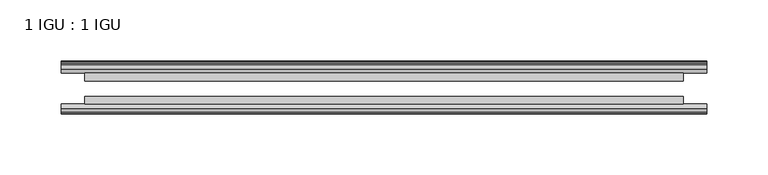
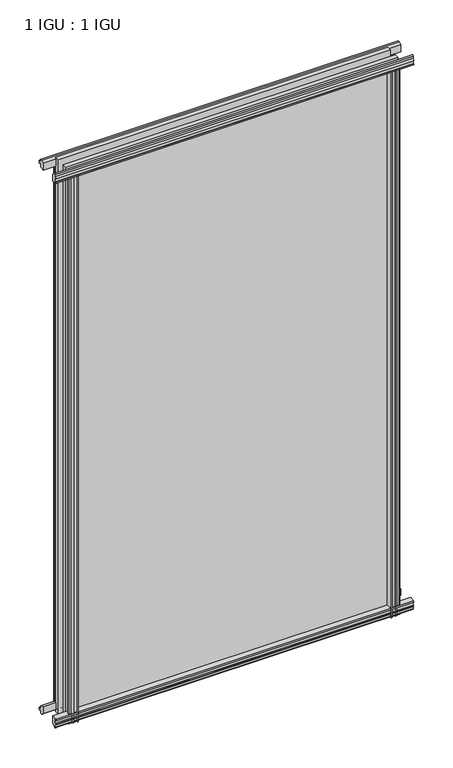
"""IFC4 building model written with IfcOpenShell, lengths in millimetres: plate geometry, 1 IGU : 1 IGU."""

import ifcopenshell
import ifcopenshell.guid

model = None  # the IFC model being written
_history = None  # IfcOwnerHistory: only IFC2X3 demands one
_inside = {}  # id of a spatial element -> (the spatial element, [elements in it])
_under = {}  # id of a project, library or spatial element -> (it, [spatial elements below it])
_declared = {}  # id of a project -> (the project, [libraries it declares])
_typed = {}  # id of a type object -> (the type object, [elements of that type])
_made_of = {}  # id of a material, layer set ... -> (it, [elements and type objects made of it])


def new_model(schema):
    """Start an empty IFC model of exactly this schema.

    Asked for "IFC4X3", IfcOpenShell would pick the latest addendum, in which some entities
    have other attributes; the version numbers below select the first issue.
    IFC2X3 requires an IfcOwnerHistory on every rooted entity: one is made here for all.
    """
    global model, _history
    if schema == "IFC4X3":
        model = ifcopenshell.file(schema_version=(4, 3, 0, 0))
    else:
        model = ifcopenshell.file(schema=schema)
    _inside.clear()
    _under.clear()
    _declared.clear()
    _typed.clear()
    _made_of.clear()
    _history = None
    if model.schema == "IFC2X3":
        org = make("IfcOrganization", Name="unknown")
        user = make(
            "IfcPersonAndOrganization",
            ThePerson=make("IfcPerson", FamilyName="unknown"),
            TheOrganization=org,
        )
        app = make(
            "IfcApplication",
            ApplicationDeveloper=org,
            Version="unknown",
            ApplicationFullName="unknown",
            ApplicationIdentifier="unknown",
        )
        _history = make(
            "IfcOwnerHistory",
            OwningUser=user,
            OwningApplication=app,
            ChangeAction="ADDED",
            CreationDate=0,
        )
    return model


def make(cls, **values):
    """One entity of the class cls with the attributes given. An attribute that is None is left unset."""
    return model.create_entity(
        cls, **{name: value for name, value in values.items() if value is not None}
    )


def rooted(cls, **values):
    """An entity with a GlobalId (a new one), such as an element, a storey or a relation."""
    return make(cls, GlobalId=ifcopenshell.guid.new(), OwnerHistory=_history, **values)


def si_unit(unit_type, name, prefix=None):
    """IfcSIUnit, for example si_unit("LENGTHUNIT", "METRE", prefix="MILLI")."""
    return make("IfcSIUnit", UnitType=unit_type, Prefix=prefix, Name=name)


def assignment(units):
    """IfcUnitAssignment: the units of a project."""
    return None if units is None else make("IfcUnitAssignment", Units=units)


def point(xyz):
    """IfcCartesianPoint."""
    return None if xyz is None else make("IfcCartesianPoint", Coordinates=xyz)


def direction(xyz):
    """IfcDirection."""
    return None if xyz is None else make("IfcDirection", DirectionRatios=xyz)


def frame(location, z_axis=None, x_axis=None):
    """IfcAxis2Placement3D, a coordinate frame: its origin and axes. An axis left out is left unset."""
    return make(
        "IfcAxis2Placement3D",
        Location=point(location),
        Axis=direction(z_axis),
        RefDirection=direction(x_axis),
    )


def frame_2d(location, x_axis=None):
    """IfcAxis2Placement2D, a coordinate frame in the plane: its origin and x axis."""
    return make(
        "IfcAxis2Placement2D", Location=point(location), RefDirection=direction(x_axis)
    )


def origin():
    """The frame at (0, 0, 0) with its axes left unset."""
    return frame((0.0, 0.0, 0.0))


def place(relative_to, where):
    """IfcLocalPlacement: puts the frame where relative to a parent placement (None: the world)."""
    return make(
        "IfcLocalPlacement", PlacementRelTo=relative_to, RelativePlacement=where
    )


def context(
    kind, dimensions, precision=None, world=None, true_north=None, identifier=None
):
    """IfcGeometricRepresentationContext, for example the 3D "Model" context."""
    return make(
        "IfcGeometricRepresentationContext",
        ContextIdentifier=identifier,
        ContextType=kind,
        CoordinateSpaceDimension=dimensions,
        Precision=precision,
        WorldCoordinateSystem=world,
        TrueNorth=true_north,
    )


def project(units=None, contexts=None):
    """IfcProject with its units and contexts."""
    return rooted(
        "IfcProject",
        Name="project",
        RepresentationContexts=contexts,
        UnitsInContext=assignment(units),
    )


def spatial(cls, under=None, at=None, **own):
    """A site, building, storey or space (cls), placed at a placement, below another one or the project."""
    s = rooted(cls, ObjectPlacement=at, **own)
    if under is not None:
        _under.setdefault(under.id(), (under, []))[1].append(s)
    return s


def polyline(points):
    """IfcPolyline through the points."""
    return make("IfcPolyline", Points=[point(p) for p in points])


def circle_curve(where, radius):
    """IfcCircle in the frame where."""
    return make("IfcCircle", Position=where, Radius=radius)


def trimmed(basis, trim1, trim2, sense, master):
    """IfcTrimmedCurve: the piece of a basis curve between two trims."""
    return make(
        "IfcTrimmedCurve",
        BasisCurve=basis,
        Trim1=trim1,
        Trim2=trim2,
        SenseAgreement=sense,
        MasterRepresentation=master,
    )


def segment(curve, same_sense, transition):
    """IfcCompositeCurveSegment."""
    return make(
        "IfcCompositeCurveSegment",
        Transition=transition,
        SameSense=same_sense,
        ParentCurve=curve,
    )


def composite_curve(segments, self_intersect=None):
    """IfcCompositeCurve: segments joined end to end."""
    return make("IfcCompositeCurve", Segments=segments, SelfIntersect=self_intersect)


def outline(outer, holes=None, kind="AREA"):
    """IfcArbitraryClosedProfileDef: a profile drawn as a closed curve; with holes, ...WithVoids."""
    if holes is None:
        return make("IfcArbitraryClosedProfileDef", ProfileType=kind, OuterCurve=outer)
    return make(
        "IfcArbitraryProfileDefWithVoids",
        ProfileType=kind,
        OuterCurve=outer,
        InnerCurves=holes,
    )


def extrude(swept, where, along, depth):
    """IfcExtrudedAreaSolid: the profile swept, set in the frame where, extruded along a direction by depth."""
    return make(
        "IfcExtrudedAreaSolid",
        SweptArea=swept,
        Position=where,
        ExtrudedDirection=direction(along),
        Depth=depth,
    )


def shape(context_of_items, identifier, shape_type, items):
    """IfcShapeRepresentation: the items that make up one representation, for example the "Body"."""
    return make(
        "IfcShapeRepresentation",
        ContextOfItems=context_of_items,
        RepresentationIdentifier=identifier,
        RepresentationType=shape_type,
        Items=items,
    )


def source(mapping_origin, context_of_items, identifier, shape_type, items):
    """IfcRepresentationMap: a shape defined once, which mapped items show again and again."""
    return make(
        "IfcRepresentationMap",
        MappingOrigin=mapping_origin,
        MappedRepresentation=shape(context_of_items, identifier, shape_type, items),
    )


def transform(
    local_origin,
    x_axis=None,
    y_axis=None,
    z_axis=None,
    scale=None,
    scale2=None,
    scale3=None,
    uniform=True,
):
    """IfcCartesianTransformationOperator3D, or its non-uniform kind. x_axis, y_axis, z_axis: its Axis1, 2, 3."""
    if uniform:
        return make(
            "IfcCartesianTransformationOperator3D",
            Axis1=direction(x_axis),
            Axis2=direction(y_axis),
            LocalOrigin=point(local_origin),
            Scale=scale,
            Axis3=direction(z_axis),
        )
    return make(
        "IfcCartesianTransformationOperator3DnonUniform",
        Axis1=direction(x_axis),
        Axis2=direction(y_axis),
        LocalOrigin=point(local_origin),
        Scale=scale,
        Axis3=direction(z_axis),
        Scale2=scale2,
        Scale3=scale3,
    )


def mapped(mapping_source, mapping_target):
    """IfcMappedItem: shows the shape of a source again, moved by a transform."""
    return make(
        "IfcMappedItem", MappingSource=mapping_source, MappingTarget=mapping_target
    )


def made_of(thing, what):
    """Note that an element or type object is made of a material, layer set ...; save() writes the relation."""
    if what is not None:
        _made_of.setdefault(what.id(), (what, []))[1].append(thing)
    return thing


def element(
    cls,
    number,
    at=None,
    inside=None,
    cuts=None,
    type_object=None,
    material=None,
    context=None,
    identifier="Body",
    shape_type=None,
    held_by="IfcProductDefinitionShape",
    body=None,
    shapes=None,
    **own,
):
    """One element of the class cls, such as IfcWall. Its Tag is "e" and its number.

    at: its placement. inside: the storey or other place that contains it. cuts: it is an
    opening in that element (IfcRelVoidsElement). A single representation is given by context,
    identifier, shape_type and body (its items); several are given by shapes. held_by: the class
    of the entity that holds the representations. save() writes the other relations.
    """
    e = rooted(cls, Tag="e%d" % number, ObjectPlacement=at, **own)
    if body is not None:
        shapes = [shape(context, identifier, shape_type, body)]
    if shapes is not None:
        e.Representation = make(held_by, Representations=shapes)
    if inside is not None:
        _inside.setdefault(inside.id(), (inside, []))[1].append(e)
    if cuts is not None:
        rooted(
            "IfcRelVoidsElement", RelatingBuildingElement=cuts, RelatedOpeningElement=e
        )
    if type_object is not None:
        _typed.setdefault(type_object.id(), (type_object, []))[1].append(e)
    return made_of(e, material)


def aggregate(whole, parts):
    """IfcRelAggregates: a whole, such as a stair, and the parts it consists of."""
    return rooted("IfcRelAggregates", RelatingObject=whole, RelatedObjects=parts)


def save(model, path):
    """Write the relations noted so far, then the file.

    IfcRelAggregates (storeys below a building ...), IfcRelContainedInSpatialStructure (elements
    in a storey), IfcRelDefinesByType, IfcRelAssociatesMaterial and IfcRelDeclares: one each for
    every whole, place, type object, material and project.
    """
    for whole, parts in _under.values():
        aggregate(whole, parts)
    for where, things in _inside.values():
        rooted(
            "IfcRelContainedInSpatialStructure",
            RelatedElements=things,
            RelatingStructure=where,
        )
    for kind, things in _typed.values():
        rooted("IfcRelDefinesByType", RelatedObjects=things, RelatingType=kind)
    for what, things in _made_of.values():
        rooted("IfcRelAssociatesMaterial", RelatedObjects=things, RelatingMaterial=what)
    for by, libraries in _declared.values():
        rooted("IfcRelDeclares", RelatingContext=by, RelatedDefinitions=libraries)
    model.write(path)


def plate_1_igu_1_igu_93dbaace(model_context):
    return source(origin(), model_context, "Body", "SweptSolid", [
        extrude(outline(composite_curve([segment(polyline([(-46.2359545, 846.392137), (-46.2359545, 835.3699197), (-53.3197108, 836.7372291)]), True, "CONTINUOUS"), segment(trimmed(circle_curve(frame_2d((-53.1447545, 837.7380519)), 1.016), [point((-53.3197108, 836.7372291))], [point((-53.8888005, 838.4298983))], False, "CARTESIAN"), True, "CONTINUOUS"), segment(polyline([(-53.8888005, 838.4298983), (-52.5859205, 838.2460519), (-52.5859205, 843.6562519), (-54.0652165, 843.9170917), (-52.5859205, 846.5010519), (-52.5859205, 849.6760519)]), True, "CONTINUOUS"), segment(trimmed(circle_curve(frame_2d((-51.3159205, 849.6760519)), 1.27), [point((-52.5859205, 849.6760519))], [point((-50.4178949, 850.5740775))], False, "CARTESIAN"), True, "CONTINUOUS"), segment(polyline([(-50.4178949, 850.5740775), (-46.2359545, 846.392137)]), True, "CONTINUOUS")], self_intersect=False)), frame((-263.4982712, 0.0, 0.0), z_axis=(1.0, 0.0, 0.0), x_axis=(0.0, 1.0, 0.0)), (0.0, 0.0, 1.0), 526.9965424),
        extrude(outline(polyline([(-17.4323375, 850.8285625), (-14.4859375, 850.8285625), (-14.4859375, 846.3835625), (-12.1057405, 846.0025625), (-12.5656738, 847.4180916), (-11.7644596, 847.4180916), (-11.0569375, 845.2405625), (-11.7644596, 843.0630334), (-12.5656738, 843.0630334), (-12.1057405, 844.4785625), (-14.4859375, 844.0975625), (-14.4859375, 838.8905625), (-20.8359545, 837.1728398), (-20.8359545, 847.9942062), (-17.4323375, 850.8285625)])), frame((-263.4982712, 0.0, 0.0), z_axis=(1.0, 0.0, 0.0), x_axis=(0.0, 1.0, 0.0)), (0.0, 0.0, 1.0), 526.9965424),
        extrude(outline(polyline([(-20.8359545, 1.2049602), (-14.4859375, -0.5127625), (-14.4859375, -5.7197625), (-12.1057405, -6.1007625), (-12.5656738, -4.6852334), (-11.7644596, -4.6852334), (-11.0569375, -6.8627625), (-11.7644596, -9.0402916), (-12.5656738, -9.0402916), (-12.1057405, -7.6247625), (-14.4859375, -8.0057625), (-14.4859375, -12.4507625), (-17.4323375, -12.4507625), (-20.8359545, -9.6164062), (-20.8359545, 1.2049602)])), frame((-263.4982712, 0.0, 0.0), z_axis=(1.0, 0.0, 0.0), x_axis=(0.0, 1.0, 0.0)), (0.0, 0.0, 1.0), 526.9965424),
        extrude(outline(composite_curve([segment(polyline([(-53.3197108, 1.6405709), (-46.2359545, 3.0078803), (-46.2359545, -8.014337), (-50.4178949, -12.1962775)]), True, "CONTINUOUS"), segment(trimmed(circle_curve(frame_2d((-51.3159205, -11.2982519)), 1.27), [point((-50.4178949, -12.1962775))], [point((-52.5859205, -11.2982519))], False, "CARTESIAN"), True, "CONTINUOUS"), segment(polyline([(-52.5859205, -11.2982519), (-52.5859205, -8.1232519), (-54.0652165, -5.5392917), (-52.5859205, -5.2784519), (-52.5859205, 0.1317481), (-53.8888005, -0.0520983)]), True, "CONTINUOUS"), segment(trimmed(circle_curve(frame_2d((-53.1447545, 0.6397481)), 1.016), [point((-53.8888005, -0.0520983))], [point((-53.3197108, 1.6405709))], False, "CARTESIAN"), True, "CONTINUOUS")], self_intersect=False)), frame((-263.4982712, 0.0, 0.0), z_axis=(1.0, 0.0, 0.0), x_axis=(0.0, 1.0, 0.0)), (0.0, 0.0, 1.0), 526.9965424),
        extrude(outline(polyline([(-239.3977515, -12.1057405), (-240.8132805, -12.5656738), (-240.8132805, -11.7644596), (-238.6357515, -11.0569375), (-236.4582224, -11.7644596), (-236.4582224, -12.5656738), (-237.8737515, -12.1057405), (-237.4927515, -14.4859375), (-232.2857515, -14.4859375), (-230.5680334, -20.8359375), (-241.3894093, -20.8359375), (-244.2237515, -17.4323375), (-244.2237515, -14.4859375), (-239.7787515, -14.4859375), (-239.3977515, -12.1057405)])), frame((0.0, 0.0, -12.6752823), z_axis=(0.0, 0.0, 1.0), x_axis=(1.0, 0.0, 0.0)), (0.0, 0.0, 1.0), 851.0530823),
        extrude(outline(composite_curve([segment(polyline([(-239.787309, -46.2359375), (-228.7651054, -46.2359375), (-230.1324181, -53.3197108)]), True, "CONTINUOUS"), segment(trimmed(circle_curve(frame_2d((-231.1332409, -53.1447545)), 1.016), [point((-230.1324181, -53.3197108))], [point((-231.8250873, -53.8888005))], False, "CARTESIAN"), True, "CONTINUOUS"), segment(polyline([(-231.8250873, -53.8888005), (-231.6412409, -52.5859205), (-237.0514409, -52.5859205), (-237.3122807, -54.0652165), (-239.8962409, -52.5859205), (-243.0712409, -52.5859205)]), True, "CONTINUOUS"), segment(trimmed(circle_curve(frame_2d((-243.0712409, -51.3159205)), 1.27), [point((-243.0712409, -52.5859205))], [point((-243.9692665, -50.4178949))], False, "CARTESIAN"), True, "CONTINUOUS"), segment(polyline([(-243.9692665, -50.4178949), (-239.787309, -46.2359375)]), True, "CONTINUOUS")], self_intersect=False)), frame((0.0, 0.0, -12.6752823), z_axis=(0.0, 0.0, 1.0), x_axis=(1.0, 0.0, 0.0)), (0.0, 0.0, 1.0), 851.0530823),
        extrude(outline(composite_curve([segment(polyline([(230.1324181, -53.3197108), (228.7651054, -46.2359375), (239.787309, -46.2359375), (243.9692665, -50.4178949)]), True, "CONTINUOUS"), segment(trimmed(circle_curve(frame_2d((243.0712409, -51.3159205)), 1.27), [point((243.9692665, -50.4178949))], [point((243.0712409, -52.5859205))], False, "CARTESIAN"), True, "CONTINUOUS"), segment(polyline([(243.0712409, -52.5859205), (239.8962409, -52.5859205), (237.3122807, -54.0652165), (237.0514409, -52.5859205), (231.6412409, -52.5859205), (231.8642043, -53.8504091)]), True, "CONTINUOUS"), segment(trimmed(circle_curve(frame_2d((231.1332409, -53.1447545)), 1.016), [point((231.8642043, -53.8504091))], [point((230.1324181, -53.3197108))], False, "CARTESIAN"), True, "CONTINUOUS")], self_intersect=False)), frame((0.0, 0.0, -12.6752823), z_axis=(0.0, 0.0, 1.0), x_axis=(1.0, 0.0, 0.0)), (0.0, 0.0, 1.0), 851.0530823),
        extrude(outline(polyline([(236.4582224, -11.7644596), (238.6357515, -11.0569375), (240.8132805, -11.7644596), (240.8132805, -12.5656738), (239.3977515, -12.1057405), (239.7787515, -14.4859375), (244.2237515, -14.4859375), (244.2237515, -17.4323375), (241.3894093, -20.8359375), (230.5680334, -20.8359375), (232.2857515, -14.4859375), (237.4927515, -14.4859375), (237.8737515, -12.1057405), (236.4582224, -12.5656738), (236.4582224, -11.7644596)])), frame((0.0, 0.0, -12.6752823), z_axis=(0.0, 0.0, 1.0), x_axis=(1.0, 0.0, 0.0)), (0.0, 0.0, 1.0), 851.0530823),
        extrude(outline(polyline([(244.4482712, -20.8359375), (244.4482712, -27.1859375), (-244.4482712, -27.1859375), (-244.4482712, -20.8359375), (244.4482712, -20.8359375)])), frame((0.0, 0.0, -12.6752823), z_axis=(0.0, 0.0, 1.0), x_axis=(1.0, 0.0, 0.0)), (0.0, 0.0, 1.0), 863.7283645),
        extrude(outline(polyline([(-244.4482712, -46.2359375), (-244.4482712, -39.8859375), (244.4482712, -39.8859375), (244.4482712, -46.2359375), (-244.4482712, -46.2359375)])), frame((0.0, 0.0, -12.6752823), z_axis=(0.0, 0.0, 1.0), x_axis=(1.0, 0.0, 0.0)), (0.0, 0.0, 1.0), 863.7283645),
    ])


if __name__ == "__main__":
    model = new_model("IFC4")
    model_context = context("Model", 3, world=origin())
    ifc_project = project(units=[si_unit("LENGTHUNIT", "METRE", prefix="MILLI")], contexts=[model_context])
    site = spatial("IfcSite", under=ifc_project)
    building = spatial("IfcBuilding", under=site)
    placement = place(None, origin())
    plate_1_igu_1_igu_shape = plate_1_igu_1_igu_93dbaace(model_context)
    element("IfcPlate", 1, ObjectType="1 IGU : 1 IGU", at=placement, inside=building, context=model_context, shape_type="MappedRepresentation", body=[
        mapped(plate_1_igu_1_igu_shape, transform((0.0, 0.0, 0.0), x_axis=(1.0, 0.0, 0.0), y_axis=(0.0, 1.0, 0.0), z_axis=(0.0, 0.0, 1.0))),
    ])
    save(model, "model.ifc")
